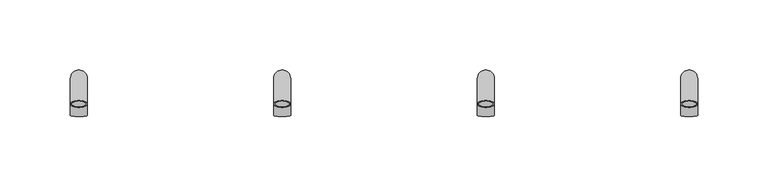
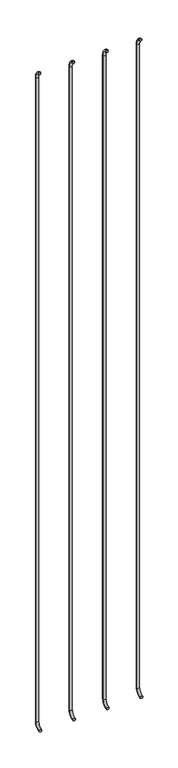
"""IFC4 building model written with IfcOpenShell, lengths in millimetres: beam geometry."""

import ifcopenshell
import ifcopenshell.guid

model = None  # the IFC model being written
_history = None  # IfcOwnerHistory: only IFC2X3 demands one
_inside = {}  # id of a spatial element -> (the spatial element, [elements in it])
_under = {}  # id of a project, library or spatial element -> (it, [spatial elements below it])
_declared = {}  # id of a project -> (the project, [libraries it declares])
_typed = {}  # id of a type object -> (the type object, [elements of that type])
_made_of = {}  # id of a material, layer set ... -> (it, [elements and type objects made of it])


def new_model(schema):
    """Start an empty IFC model of exactly this schema.

    Asked for "IFC4X3", IfcOpenShell would pick the latest addendum, in which some entities
    have other attributes; the version numbers below select the first issue.
    IFC2X3 requires an IfcOwnerHistory on every rooted entity: one is made here for all.
    """
    global model, _history
    if schema == "IFC4X3":
        model = ifcopenshell.file(schema_version=(4, 3, 0, 0))
    else:
        model = ifcopenshell.file(schema=schema)
    _inside.clear()
    _under.clear()
    _declared.clear()
    _typed.clear()
    _made_of.clear()
    _history = None
    if model.schema == "IFC2X3":
        org = make("IfcOrganization", Name="unknown")
        user = make(
            "IfcPersonAndOrganization",
            ThePerson=make("IfcPerson", FamilyName="unknown"),
            TheOrganization=org,
        )
        app = make(
            "IfcApplication",
            ApplicationDeveloper=org,
            Version="unknown",
            ApplicationFullName="unknown",
            ApplicationIdentifier="unknown",
        )
        _history = make(
            "IfcOwnerHistory",
            OwningUser=user,
            OwningApplication=app,
            ChangeAction="ADDED",
            CreationDate=0,
        )
    return model


def make(cls, **values):
    """One entity of the class cls with the attributes given. An attribute that is None is left unset."""
    return model.create_entity(
        cls, **{name: value for name, value in values.items() if value is not None}
    )


def rooted(cls, **values):
    """An entity with a GlobalId (a new one), such as an element, a storey or a relation."""
    return make(cls, GlobalId=ifcopenshell.guid.new(), OwnerHistory=_history, **values)


def si_unit(unit_type, name, prefix=None):
    """IfcSIUnit, for example si_unit("LENGTHUNIT", "METRE", prefix="MILLI")."""
    return make("IfcSIUnit", UnitType=unit_type, Prefix=prefix, Name=name)


def assignment(units):
    """IfcUnitAssignment: the units of a project."""
    return None if units is None else make("IfcUnitAssignment", Units=units)


def point(xyz):
    """IfcCartesianPoint."""
    return None if xyz is None else make("IfcCartesianPoint", Coordinates=xyz)


def direction(xyz):
    """IfcDirection."""
    return None if xyz is None else make("IfcDirection", DirectionRatios=xyz)


def frame(location, z_axis=None, x_axis=None):
    """IfcAxis2Placement3D, a coordinate frame: its origin and axes. An axis left out is left unset."""
    return make(
        "IfcAxis2Placement3D",
        Location=point(location),
        Axis=direction(z_axis),
        RefDirection=direction(x_axis),
    )


def origin():
    """The frame at (0, 0, 0) with its axes left unset."""
    return frame((0.0, 0.0, 0.0))


def place(relative_to, where):
    """IfcLocalPlacement: puts the frame where relative to a parent placement (None: the world)."""
    return make(
        "IfcLocalPlacement", PlacementRelTo=relative_to, RelativePlacement=where
    )


def context(
    kind, dimensions, precision=None, world=None, true_north=None, identifier=None
):
    """IfcGeometricRepresentationContext, for example the 3D "Model" context."""
    return make(
        "IfcGeometricRepresentationContext",
        ContextIdentifier=identifier,
        ContextType=kind,
        CoordinateSpaceDimension=dimensions,
        Precision=precision,
        WorldCoordinateSystem=world,
        TrueNorth=true_north,
    )


def project(units=None, contexts=None):
    """IfcProject with its units and contexts."""
    return rooted(
        "IfcProject",
        Name="project",
        RepresentationContexts=contexts,
        UnitsInContext=assignment(units),
    )


def spatial(cls, under=None, at=None, **own):
    """A site, building, storey or space (cls), placed at a placement, below another one or the project."""
    s = rooted(cls, ObjectPlacement=at, **own)
    if under is not None:
        _under.setdefault(under.id(), (under, []))[1].append(s)
    return s


def polyline(points):
    """IfcPolyline through the points."""
    return make("IfcPolyline", Points=[point(p) for p in points])


def circle_curve(where, radius):
    """IfcCircle in the frame where."""
    return make("IfcCircle", Position=where, Radius=radius)


def ellipse_curve(where, semi_axis1, semi_axis2):
    """IfcEllipse in the frame where."""
    return make(
        "IfcEllipse", Position=where, SemiAxis1=semi_axis1, SemiAxis2=semi_axis2
    )


def trimmed(basis, trim1, trim2, sense, master):
    """IfcTrimmedCurve: the piece of a basis curve between two trims."""
    return make(
        "IfcTrimmedCurve",
        BasisCurve=basis,
        Trim1=trim1,
        Trim2=trim2,
        SenseAgreement=sense,
        MasterRepresentation=master,
    )


def shape(context_of_items, identifier, shape_type, items):
    """IfcShapeRepresentation: the items that make up one representation, for example the "Body"."""
    return make(
        "IfcShapeRepresentation",
        ContextOfItems=context_of_items,
        RepresentationIdentifier=identifier,
        RepresentationType=shape_type,
        Items=items,
    )


def source(mapping_origin, context_of_items, identifier, shape_type, items):
    """IfcRepresentationMap: a shape defined once, which mapped items show again and again."""
    return make(
        "IfcRepresentationMap",
        MappingOrigin=mapping_origin,
        MappedRepresentation=shape(context_of_items, identifier, shape_type, items),
    )


def transform(
    local_origin,
    x_axis=None,
    y_axis=None,
    z_axis=None,
    scale=None,
    scale2=None,
    scale3=None,
    uniform=True,
):
    """IfcCartesianTransformationOperator3D, or its non-uniform kind. x_axis, y_axis, z_axis: its Axis1, 2, 3."""
    if uniform:
        return make(
            "IfcCartesianTransformationOperator3D",
            Axis1=direction(x_axis),
            Axis2=direction(y_axis),
            LocalOrigin=point(local_origin),
            Scale=scale,
            Axis3=direction(z_axis),
        )
    return make(
        "IfcCartesianTransformationOperator3DnonUniform",
        Axis1=direction(x_axis),
        Axis2=direction(y_axis),
        LocalOrigin=point(local_origin),
        Scale=scale,
        Axis3=direction(z_axis),
        Scale2=scale2,
        Scale3=scale3,
    )


def mapped(mapping_source, mapping_target):
    """IfcMappedItem: shows the shape of a source again, moved by a transform."""
    return make(
        "IfcMappedItem", MappingSource=mapping_source, MappingTarget=mapping_target
    )


def made_of(thing, what):
    """Note that an element or type object is made of a material, layer set ...; save() writes the relation."""
    if what is not None:
        _made_of.setdefault(what.id(), (what, []))[1].append(thing)
    return thing


def element(
    cls,
    number,
    at=None,
    inside=None,
    cuts=None,
    type_object=None,
    material=None,
    context=None,
    identifier="Body",
    shape_type=None,
    held_by="IfcProductDefinitionShape",
    body=None,
    shapes=None,
    **own,
):
    """One element of the class cls, such as IfcWall. Its Tag is "e" and its number.

    at: its placement. inside: the storey or other place that contains it. cuts: it is an
    opening in that element (IfcRelVoidsElement). A single representation is given by context,
    identifier, shape_type and body (its items); several are given by shapes. held_by: the class
    of the entity that holds the representations. save() writes the other relations.
    """
    e = rooted(cls, Tag="e%d" % number, ObjectPlacement=at, **own)
    if body is not None:
        shapes = [shape(context, identifier, shape_type, body)]
    if shapes is not None:
        e.Representation = make(held_by, Representations=shapes)
    if inside is not None:
        _inside.setdefault(inside.id(), (inside, []))[1].append(e)
    if cuts is not None:
        rooted(
            "IfcRelVoidsElement", RelatingBuildingElement=cuts, RelatedOpeningElement=e
        )
    if type_object is not None:
        _typed.setdefault(type_object.id(), (type_object, []))[1].append(e)
    return made_of(e, material)


def aggregate(whole, parts):
    """IfcRelAggregates: a whole, such as a stair, and the parts it consists of."""
    return rooted("IfcRelAggregates", RelatingObject=whole, RelatedObjects=parts)


def save(model, path):
    """Write the relations noted so far, then the file.

    IfcRelAggregates (storeys below a building ...), IfcRelContainedInSpatialStructure (elements
    in a storey), IfcRelDefinesByType, IfcRelAssociatesMaterial and IfcRelDeclares: one each for
    every whole, place, type object, material and project.
    """
    for whole, parts in _under.values():
        aggregate(whole, parts)
    for where, things in _inside.values():
        rooted(
            "IfcRelContainedInSpatialStructure",
            RelatedElements=things,
            RelatingStructure=where,
        )
    for kind, things in _typed.values():
        rooted("IfcRelDefinesByType", RelatedObjects=things, RelatingType=kind)
    for what, things in _made_of.values():
        rooted("IfcRelAssociatesMaterial", RelatedObjects=things, RelatingMaterial=what)
    for by, libraries in _declared.values():
        rooted("IfcRelDeclares", RelatingContext=by, RelatedDefinitions=libraries)
    model.write(path)


def plane_surface(at):
    """IfcPlane: the flat surface through the origin of the frame at, square to its z axis."""
    return make("IfcPlane", Position=at)


def cylinder_surface(at, radius):
    """IfcCylindricalSurface: all points at the distance radius from the z axis of the frame at."""
    return make("IfcCylindricalSurface", Position=at, Radius=radius)


def revolved_surface(curve, axis_point, axis_direction):
    """IfcSurfaceOfRevolution: the curve turned about the line through axis_point along axis_direction."""
    return make(
        "IfcSurfaceOfRevolution",
        SweptCurve=make("IfcArbitraryOpenProfileDef", ProfileType="CURVE", Curve=curve),
        AxisPosition=make("IfcAxis1Placement", Location=point(axis_point), Axis=direction(axis_direction)),
    )


def advanced_brep(points, edges, surfaces, faces):
    """IfcAdvancedBrep: a solid bounded by faces that lie on surfaces and meet in shared edges.

    An edge is (start, end): straight between two places in points (the first is 0);
    or (start, end, curve); or (start, end, curve, False) where it runs against its curve.
    A face is (place in surfaces, loops), or (place, loops, False) where it looks against
    its surface's normal. A loop lists edges by number (the first is 1), with a minus sign
    where the edge is run from its end to its start. The first loop is the outer one.
    """
    corners = [point(p) for p in points]
    vertices = [make("IfcVertexPoint", VertexGeometry=c) for c in corners]
    made = []
    for start, end, *more in edges:
        made.append(
            make(
                "IfcEdgeCurve",
                EdgeStart=vertices[start],
                EdgeEnd=vertices[end],
                EdgeGeometry=more[0] if more else make("IfcPolyline", Points=[corners[start], corners[end]]),
                SameSense=more[1] if len(more) > 1 else True,
            )
        )
    hull = []
    for where, loops, *sense in faces:
        bounds = []
        for j, loop in enumerate(loops):
            ring = [make("IfcOrientedEdge", EdgeElement=made[abs(k) - 1], Orientation=k > 0) for k in loop]
            bounds.append(
                make(
                    "IfcFaceOuterBound" if j == 0 else "IfcFaceBound",
                    Bound=make("IfcEdgeLoop", EdgeList=ring),
                    Orientation=True,
                )
            )
        hull.append(make("IfcAdvancedFace", Bounds=bounds, FaceSurface=surfaces[where], SameSense=sense[0] if sense else True))
    return make("IfcAdvancedBrep", Outer=make("IfcClosedShell", CfsFaces=hull))


def beam_fb02d8b2(model_context):
    return source(origin(), model_context, "Body", "AdvancedBrep", [
        advanced_brep(
        [(1286.6811733, 2847.5491688, 2977.1908893), (1274.6811733, 2847.5491688, 2977.1908893), (1285.6811733, 2847.5491688, 2977.1908893), (1275.6811733, 2847.5491688, 2977.1908893), (1275.6811733, 2865.6257856, 2949.6621238), (1285.6811733, 2865.6257856, 2949.6621238), (1274.6811733, 2865.6257856, 2949.6621238), (1286.6811733, 2865.6257856, 2949.6621238), (1285.6811733, 2865.6257856, 30.7084898), (1275.6811733, 2865.6257856, 30.7084898), (1286.6811733, 2865.6257856, 30.7084898), (1274.6811733, 2865.6257856, 30.7084898), (1286.6811733, 2840.0062095, 1.0300146), (1274.6811733, 2840.0062095, 1.0300146), (1285.6811733, 2840.0062095, 1.0300146), (1275.6811733, 2840.0062095, 1.0300146)],
        [
            (0, 1, circle_curve(frame((1280.6811733, 2847.5491688, 2977.1908893), z_axis=(0.0, -0.9176255197351176, 0.3974461039321624), x_axis=(-1.0, 0.0, 0.0)), 6.0)),
            (1, 0, circle_curve(frame((1280.6811733, 2847.5491688, 2977.1908893), z_axis=(0.0, -0.9176255197351176, 0.3974461039321624), x_axis=(-1.0, 0.0, 0.0)), 6.0)),
            (2, 3, circle_curve(frame((1280.6811733, 2847.5491688, 2977.1908893), z_axis=(0.0, 0.9176255197351176, -0.3974461039321624), x_axis=(-1.0, 0.0, 0.0)), 5.0)),
            (3, 2, circle_curve(frame((1280.6811733, 2847.5491688, 2977.1908893), z_axis=(0.0, 0.9176255197351176, -0.3974461039321624), x_axis=(-1.0, 0.0, 0.0)), 5.0)),
            (4, 3, circle_curve(frame((1275.6811733, 2835.6257856, 2949.6621238), z_axis=(1.0, 0.0, 0.0), x_axis=(0.0, 0.3974461039321624, 0.9176255197351176)), 30.0)),
            (2, 5, circle_curve(frame((1285.6811733, 2835.6257856, 2949.6621238), z_axis=(-1.0, 0.0, 0.0), x_axis=(0.0, 0.3974461039321624, 0.9176255197351176)), 30.0)),
            (5, 4, circle_curve(frame((1280.6811733, 2865.6257856, 2949.6621238), z_axis=(0.0, 0.0, -0.9999999999999999), x_axis=(-1.0, 0.0, 0.0)), 5.0)),
            (4, 5, circle_curve(frame((1280.6811733, 2865.6257856, 2949.6621238), z_axis=(0.0, 0.0, -0.9999999999999999), x_axis=(-1.0, 0.0, 0.0)), 5.0)),
            (6, 1, circle_curve(frame((1274.6811733, 2835.6257856, 2949.6621238), z_axis=(1.0, 0.0, 0.0), x_axis=(0.0, 0.3974461039321624, 0.9176255197351176)), 30.0)),
            (0, 7, circle_curve(frame((1286.6811733, 2835.6257856, 2949.6621238), z_axis=(-1.0, 0.0, 0.0), x_axis=(0.0, 0.3974461039321624, 0.9176255197351176)), 30.0)),
            (7, 6, circle_curve(frame((1280.6811733, 2865.6257856, 2949.6621238), z_axis=(0.0, 0.0, 0.9999999999999999), x_axis=(-1.0, 0.0, 0.0)), 6.0)),
            (6, 7, circle_curve(frame((1280.6811733, 2865.6257856, 2949.6621238), z_axis=(0.0, 0.0, 0.9999999999999999), x_axis=(-1.0, 0.0, 0.0)), 6.0)),
            (5, 8),
            (8, 9, circle_curve(frame((1280.6811733, 2865.6257856, 30.7084898), z_axis=(0.0, 0.0, -1.0), x_axis=(-1.0, 0.0, 0.0)), 5.0)),
            (9, 4),
            (9, 8, circle_curve(frame((1280.6811733, 2865.6257856, 30.7084898), z_axis=(0.0, 0.0, -1.0), x_axis=(-1.0, 0.0, 0.0)), 5.0)),
            (7, 10),
            (10, 11, circle_curve(frame((1280.6811733, 2865.6257856, 30.7084898), z_axis=(0.0, 0.0, 1.0), x_axis=(-1.0, 0.0, 0.0)), 6.0)),
            (11, 6),
            (11, 10, circle_curve(frame((1280.6811733, 2865.6257856, 30.7084898), z_axis=(0.0, 0.0, 1.0), x_axis=(-1.0, 0.0, 0.0)), 6.0)),
            (12, 13, circle_curve(frame((1280.6811733, 2840.0062095, 1.0300146), z_axis=(0.0, -0.9892825047438852, -0.14601412879466397), x_axis=(-1.0, 0.0, 0.0)), 6.0)),
            (13, 12, circle_curve(frame((1280.6811733, 2840.0062095, 1.0300146), z_axis=(0.0, -0.9892825047438852, -0.14601412879466397), x_axis=(-1.0, 0.0, 0.0)), 6.0)),
            (14, 15, circle_curve(frame((1280.6811733, 2840.0062095, 1.0300146), z_axis=(0.0, 0.9892825047438852, 0.14601412879466397), x_axis=(-1.0, 0.0, 0.0)), 5.0)),
            (15, 14, circle_curve(frame((1280.6811733, 2840.0062095, 1.0300146), z_axis=(0.0, 0.9892825047438852, 0.14601412879466397), x_axis=(-1.0, 0.0, 0.0)), 5.0)),
            (15, 9, circle_curve(frame((1275.6811733, 2835.6257856, 30.7084898), z_axis=(1.0, 0.0, 0.0), x_axis=(0.0, 1.0, 0.0)), 30.0)),
            (8, 14, circle_curve(frame((1285.6811733, 2835.6257856, 30.7084898), z_axis=(-1.0, 0.0, 0.0), x_axis=(0.0, 1.0, 0.0)), 30.0)),
            (13, 11, circle_curve(frame((1274.6811733, 2835.6257856, 30.7084898), z_axis=(1.0, 0.0, 0.0), x_axis=(0.0, 1.0, 0.0)), 30.0)),
            (10, 12, circle_curve(frame((1286.6811733, 2835.6257856, 30.7084898), z_axis=(-1.0, 0.0, 0.0), x_axis=(0.0, 1.0, 0.0)), 30.0)),
        ],
        [
            plane_surface(frame((1280.6811733, 2847.5491688, 2977.1908893), z_axis=(0.0, -0.9176255197351176, 0.3974461039321624), x_axis=(-1.0, 0.0, 0.0))),
            revolved_surface(trimmed(ellipse_curve(frame((1280.6811733, 2847.5491688, 2977.1908893), z_axis=(0.0, 0.9176255197351176, -0.3974461039321624), x_axis=(-1.0, 0.0, 0.0)), 5.0, 5.0), [point((1285.6811733, 2847.5491688, 2977.1908893))], [point((1275.6811733, 2847.5491688, 2977.1908893))], True, "CARTESIAN"), (1280.6811733, 2835.6257856, 2949.6621238), (-1.0, 0.0, 0.0)),
            revolved_surface(trimmed(ellipse_curve(frame((1280.6811733, 2847.5491688, 2977.1908893), z_axis=(0.0, 0.9176255197351176, -0.3974461039321624), x_axis=(-1.0, 0.0, 0.0)), 5.0, 5.0), [point((1275.6811733, 2847.5491688, 2977.1908893))], [point((1285.6811733, 2847.5491688, 2977.1908893))], True, "CARTESIAN"), (1280.6811733, 2835.6257856, 2949.6621238), (-1.0, 0.0, 0.0)),
            revolved_surface(trimmed(ellipse_curve(frame((1280.6811733, 2847.5491688, 2977.1908893), z_axis=(0.0, -0.9176255197351176, 0.3974461039321624), x_axis=(-1.0, 0.0, 0.0)), 6.0, 6.0), [point((1286.6811733, 2847.5491688, 2977.1908893))], [point((1274.6811733, 2847.5491688, 2977.1908893))], True, "CARTESIAN"), (1280.6811733, 2835.6257856, 2949.6621238), (-1.0, 0.0, 0.0)),
            revolved_surface(trimmed(ellipse_curve(frame((1280.6811733, 2847.5491688, 2977.1908893), z_axis=(0.0, -0.9176255197351176, 0.3974461039321624), x_axis=(-1.0, 0.0, 0.0)), 6.0, 6.0), [point((1274.6811733, 2847.5491688, 2977.1908893))], [point((1286.6811733, 2847.5491688, 2977.1908893))], True, "CARTESIAN"), (1280.6811733, 2835.6257856, 2949.6621238), (-1.0, 0.0, 0.0)),
            revolved_surface(polyline([(1275.6811733, 2865.6257856, 30.708489799999825), (1275.6811733, 2865.6257856, 2949.6621238)]), (1280.6811733, 2865.6257856, 2949.6621238), (0.0, 0.0, -1.0)),
            cylinder_surface(frame((1280.6811733, 2865.6257856, 2949.6621238), z_axis=(0.0, 0.0, 1.0), x_axis=(-1.0, 0.0, 0.0)), 6.0),
            plane_surface(frame((1280.6811733, 2840.0062095, 1.0300146), z_axis=(0.0, -0.9892825047438852, -0.14601412879466397), x_axis=(-1.0, 0.0, 0.0))),
            revolved_surface(trimmed(ellipse_curve(frame((1280.6811733, 2865.6257856, 30.7084898), z_axis=(0.0, 0.0, -1.0), x_axis=(-1.0, 0.0, 0.0)), 5.0, 5.0), [point((1285.6811733, 2865.6257856, 30.7084898))], [point((1275.6811733, 2865.6257856, 30.7084898))], True, "CARTESIAN"), (1280.6811733, 2835.6257856, 30.7084898), (-1.0, 0.0, 0.0)),
            revolved_surface(trimmed(ellipse_curve(frame((1280.6811733, 2865.6257856, 30.7084898), z_axis=(0.0, 0.0, -1.0), x_axis=(-1.0, 0.0, 0.0)), 5.0, 5.0), [point((1275.6811733, 2865.6257856, 30.7084898))], [point((1285.6811733, 2865.6257856, 30.7084898))], True, "CARTESIAN"), (1280.6811733, 2835.6257856, 30.7084898), (-1.0, 0.0, 0.0)),
            revolved_surface(trimmed(ellipse_curve(frame((1280.6811733, 2865.6257856, 30.7084898), z_axis=(0.0, 0.0, 1.0), x_axis=(-1.0, 0.0, 0.0)), 6.0, 6.0), [point((1286.6811733, 2865.6257856, 30.7084898))], [point((1274.6811733, 2865.6257856, 30.7084898))], True, "CARTESIAN"), (1280.6811733, 2835.6257856, 30.7084898), (-1.0, 0.0, 0.0)),
            revolved_surface(trimmed(ellipse_curve(frame((1280.6811733, 2865.6257856, 30.7084898), z_axis=(0.0, 0.0, 1.0), x_axis=(-1.0, 0.0, 0.0)), 6.0, 6.0), [point((1274.6811733, 2865.6257856, 30.7084898))], [point((1286.6811733, 2865.6257856, 30.7084898))], True, "CARTESIAN"), (1280.6811733, 2835.6257856, 30.7084898), (-1.0, 0.0, 0.0)),
        ],
        [
            (0, [[1, 2], [3, 4]]),
            (1, [[5, -3, 6, 7]]),
            (2, [[-6, -4, -5, 8]]),
            (3, [[9, -1, 10, 11]]),
            (4, [[-10, -2, -9, 12]]),
            (5, [[-7, 13, 14, 15]]),
            (5, [[-8, -15, 16, -13]]),
            (6, [[-11, 17, 18, 19]]),
            (6, [[-12, -19, 20, -17]]),
            (7, [[21, 22], [23, 24]]),
            (8, [[25, -14, 26, -24]]),
            (9, [[-26, -16, -25, -23]]),
            (10, [[27, -18, 28, -22]]),
            (11, [[-28, -20, -27, -21]]),
        ],
    ),
        advanced_brep(
        [(1431.2124233, 2847.5491688, 2977.1908893), (1419.2124233, 2847.5491688, 2977.1908893), (1430.2124233, 2847.5491688, 2977.1908893), (1420.2124233, 2847.5491688, 2977.1908893), (1420.2124233, 2865.6257856, 2949.6621238), (1430.2124233, 2865.6257856, 2949.6621238), (1419.2124233, 2865.6257856, 2949.6621238), (1431.2124233, 2865.6257856, 2949.6621238), (1430.2124233, 2865.6257856, 30.7084898), (1420.2124233, 2865.6257856, 30.7084898), (1431.2124233, 2865.6257856, 30.7084898), (1419.2124233, 2865.6257856, 30.7084898), (1431.2124233, 2840.0062095, 1.0300146), (1419.2124233, 2840.0062095, 1.0300146), (1430.2124233, 2840.0062095, 1.0300146), (1420.2124233, 2840.0062095, 1.0300146)],
        [
            (0, 1, circle_curve(frame((1425.2124233, 2847.5491688, 2977.1908893), z_axis=(0.0, -0.9176255197351176, 0.3974461039321624), x_axis=(-1.0, 0.0, 0.0)), 6.0)),
            (1, 0, circle_curve(frame((1425.2124233, 2847.5491688, 2977.1908893), z_axis=(0.0, -0.9176255197351176, 0.3974461039321624), x_axis=(-1.0, 0.0, 0.0)), 6.0)),
            (2, 3, circle_curve(frame((1425.2124233, 2847.5491688, 2977.1908893), z_axis=(0.0, 0.9176255197351176, -0.3974461039321624), x_axis=(-1.0, 0.0, 0.0)), 5.0)),
            (3, 2, circle_curve(frame((1425.2124233, 2847.5491688, 2977.1908893), z_axis=(0.0, 0.9176255197351176, -0.3974461039321624), x_axis=(-1.0, 0.0, 0.0)), 5.0)),
            (4, 3, circle_curve(frame((1420.2124233, 2835.6257856, 2949.6621238), z_axis=(1.0, 0.0, 0.0), x_axis=(0.0, 0.3974461039321624, 0.9176255197351176)), 30.0)),
            (2, 5, circle_curve(frame((1430.2124233, 2835.6257856, 2949.6621238), z_axis=(-1.0, 0.0, 0.0), x_axis=(0.0, 0.3974461039321624, 0.9176255197351176)), 30.0)),
            (5, 4, circle_curve(frame((1425.2124233, 2865.6257856, 2949.6621238), z_axis=(0.0, 0.0, -0.9999999999999999), x_axis=(-1.0, 0.0, 0.0)), 5.0)),
            (4, 5, circle_curve(frame((1425.2124233, 2865.6257856, 2949.6621238), z_axis=(0.0, 0.0, -0.9999999999999999), x_axis=(-1.0, 0.0, 0.0)), 5.0)),
            (6, 1, circle_curve(frame((1419.2124233, 2835.6257856, 2949.6621238), z_axis=(1.0, 0.0, 0.0), x_axis=(0.0, 0.3974461039321624, 0.9176255197351176)), 30.0)),
            (0, 7, circle_curve(frame((1431.2124233, 2835.6257856, 2949.6621238), z_axis=(-1.0, 0.0, 0.0), x_axis=(0.0, 0.3974461039321624, 0.9176255197351176)), 30.0)),
            (7, 6, circle_curve(frame((1425.2124233, 2865.6257856, 2949.6621238), z_axis=(0.0, 0.0, 0.9999999999999999), x_axis=(-1.0, 0.0, 0.0)), 6.0)),
            (6, 7, circle_curve(frame((1425.2124233, 2865.6257856, 2949.6621238), z_axis=(0.0, 0.0, 0.9999999999999999), x_axis=(-1.0, 0.0, 0.0)), 6.0)),
            (5, 8),
            (8, 9, circle_curve(frame((1425.2124233, 2865.6257856, 30.7084898), z_axis=(0.0, 0.0, -1.0), x_axis=(-1.0, 0.0, 0.0)), 5.0)),
            (9, 4),
            (9, 8, circle_curve(frame((1425.2124233, 2865.6257856, 30.7084898), z_axis=(0.0, 0.0, -1.0), x_axis=(-1.0, 0.0, 0.0)), 5.0)),
            (7, 10),
            (10, 11, circle_curve(frame((1425.2124233, 2865.6257856, 30.7084898), z_axis=(0.0, 0.0, 1.0), x_axis=(-1.0, 0.0, 0.0)), 6.0)),
            (11, 6),
            (11, 10, circle_curve(frame((1425.2124233, 2865.6257856, 30.7084898), z_axis=(0.0, 0.0, 1.0), x_axis=(-1.0, 0.0, 0.0)), 6.0)),
            (12, 13, circle_curve(frame((1425.2124233, 2840.0062095, 1.0300146), z_axis=(0.0, -0.9892825047438852, -0.14601412879466397), x_axis=(-1.0, 0.0, 0.0)), 6.0)),
            (13, 12, circle_curve(frame((1425.2124233, 2840.0062095, 1.0300146), z_axis=(0.0, -0.9892825047438852, -0.14601412879466397), x_axis=(-1.0, 0.0, 0.0)), 6.0)),
            (14, 15, circle_curve(frame((1425.2124233, 2840.0062095, 1.0300146), z_axis=(0.0, 0.9892825047438852, 0.14601412879466397), x_axis=(-1.0, 0.0, 0.0)), 5.0)),
            (15, 14, circle_curve(frame((1425.2124233, 2840.0062095, 1.0300146), z_axis=(0.0, 0.9892825047438852, 0.14601412879466397), x_axis=(-1.0, 0.0, 0.0)), 5.0)),
            (15, 9, circle_curve(frame((1420.2124233, 2835.6257856, 30.7084898), z_axis=(1.0, 0.0, 0.0), x_axis=(0.0, 1.0, 0.0)), 30.0)),
            (8, 14, circle_curve(frame((1430.2124233, 2835.6257856, 30.7084898), z_axis=(-1.0, 0.0, 0.0), x_axis=(0.0, 1.0, 0.0)), 30.0)),
            (13, 11, circle_curve(frame((1419.2124233, 2835.6257856, 30.7084898), z_axis=(1.0, 0.0, 0.0), x_axis=(0.0, 1.0, 0.0)), 30.0)),
            (10, 12, circle_curve(frame((1431.2124233, 2835.6257856, 30.7084898), z_axis=(-1.0, 0.0, 0.0), x_axis=(0.0, 1.0, 0.0)), 30.0)),
        ],
        [
            plane_surface(frame((1425.2124233, 2847.5491688, 2977.1908893), z_axis=(0.0, -0.9176255197351176, 0.3974461039321624), x_axis=(-1.0, 0.0, 0.0))),
            revolved_surface(trimmed(ellipse_curve(frame((1425.2124233, 2847.5491688, 2977.1908893), z_axis=(0.0, 0.9176255197351176, -0.3974461039321624), x_axis=(-1.0, 0.0, 0.0)), 5.0, 5.0), [point((1430.2124233, 2847.5491688, 2977.1908893))], [point((1420.2124233, 2847.5491688, 2977.1908893))], True, "CARTESIAN"), (1425.2124233, 2835.6257856, 2949.6621238), (-1.0, 0.0, 0.0)),
            revolved_surface(trimmed(ellipse_curve(frame((1425.2124233, 2847.5491688, 2977.1908893), z_axis=(0.0, 0.9176255197351176, -0.3974461039321624), x_axis=(-1.0, 0.0, 0.0)), 5.0, 5.0), [point((1420.2124233, 2847.5491688, 2977.1908893))], [point((1430.2124233, 2847.5491688, 2977.1908893))], True, "CARTESIAN"), (1425.2124233, 2835.6257856, 2949.6621238), (-1.0, 0.0, 0.0)),
            revolved_surface(trimmed(ellipse_curve(frame((1425.2124233, 2847.5491688, 2977.1908893), z_axis=(0.0, -0.9176255197351176, 0.3974461039321624), x_axis=(-1.0, 0.0, 0.0)), 6.0, 6.0), [point((1431.2124233, 2847.5491688, 2977.1908893))], [point((1419.2124233, 2847.5491688, 2977.1908893))], True, "CARTESIAN"), (1425.2124233, 2835.6257856, 2949.6621238), (-1.0, 0.0, 0.0)),
            revolved_surface(trimmed(ellipse_curve(frame((1425.2124233, 2847.5491688, 2977.1908893), z_axis=(0.0, -0.9176255197351176, 0.3974461039321624), x_axis=(-1.0, 0.0, 0.0)), 6.0, 6.0), [point((1419.2124233, 2847.5491688, 2977.1908893))], [point((1431.2124233, 2847.5491688, 2977.1908893))], True, "CARTESIAN"), (1425.2124233, 2835.6257856, 2949.6621238), (-1.0, 0.0, 0.0)),
            revolved_surface(polyline([(1420.2124233, 2865.6257856, 30.708489799999825), (1420.2124233, 2865.6257856, 2949.6621238)]), (1425.2124233, 2865.6257856, 2949.6621238), (0.0, 0.0, -1.0)),
            cylinder_surface(frame((1425.2124233, 2865.6257856, 2949.6621238), z_axis=(0.0, 0.0, 1.0), x_axis=(-1.0, 0.0, 0.0)), 6.0),
            plane_surface(frame((1425.2124233, 2840.0062095, 1.0300146), z_axis=(0.0, -0.9892825047438852, -0.14601412879466397), x_axis=(-1.0, 0.0, 0.0))),
            revolved_surface(trimmed(ellipse_curve(frame((1425.2124233, 2865.6257856, 30.7084898), z_axis=(0.0, 0.0, -1.0), x_axis=(-1.0, 0.0, 0.0)), 5.0, 5.0), [point((1430.2124233, 2865.6257856, 30.7084898))], [point((1420.2124233, 2865.6257856, 30.7084898))], True, "CARTESIAN"), (1425.2124233, 2835.6257856, 30.7084898), (-1.0, 0.0, 0.0)),
            revolved_surface(trimmed(ellipse_curve(frame((1425.2124233, 2865.6257856, 30.7084898), z_axis=(0.0, 0.0, -1.0), x_axis=(-1.0, 0.0, 0.0)), 5.0, 5.0), [point((1420.2124233, 2865.6257856, 30.7084898))], [point((1430.2124233, 2865.6257856, 30.7084898))], True, "CARTESIAN"), (1425.2124233, 2835.6257856, 30.7084898), (-1.0, 0.0, 0.0)),
            revolved_surface(trimmed(ellipse_curve(frame((1425.2124233, 2865.6257856, 30.7084898), z_axis=(0.0, 0.0, 1.0), x_axis=(-1.0, 0.0, 0.0)), 6.0, 6.0), [point((1431.2124233, 2865.6257856, 30.7084898))], [point((1419.2124233, 2865.6257856, 30.7084898))], True, "CARTESIAN"), (1425.2124233, 2835.6257856, 30.7084898), (-1.0, 0.0, 0.0)),
            revolved_surface(trimmed(ellipse_curve(frame((1425.2124233, 2865.6257856, 30.7084898), z_axis=(0.0, 0.0, 1.0), x_axis=(-1.0, 0.0, 0.0)), 6.0, 6.0), [point((1419.2124233, 2865.6257856, 30.7084898))], [point((1431.2124233, 2865.6257856, 30.7084898))], True, "CARTESIAN"), (1425.2124233, 2835.6257856, 30.7084898), (-1.0, 0.0, 0.0)),
        ],
        [
            (0, [[1, 2], [3, 4]]),
            (1, [[5, -3, 6, 7]]),
            (2, [[-6, -4, -5, 8]]),
            (3, [[9, -1, 10, 11]]),
            (4, [[-10, -2, -9, 12]]),
            (5, [[-7, 13, 14, 15]]),
            (5, [[-8, -15, 16, -13]]),
            (6, [[-11, 17, 18, 19]]),
            (6, [[-12, -19, 20, -17]]),
            (7, [[21, 22], [23, 24]]),
            (8, [[25, -14, 26, -24]]),
            (9, [[-26, -16, -25, -23]]),
            (10, [[27, -18, 28, -22]]),
            (11, [[-28, -20, -27, -21]]),
        ],
    ),
        advanced_brep(
        [(1720.4311733, 2847.5491688, 2977.1908893), (1708.4311733, 2847.5491688, 2977.1908893), (1719.4311733, 2847.5491688, 2977.1908893), (1709.4311733, 2847.5491688, 2977.1908893), (1709.4311733, 2865.6257856, 2949.6621238), (1719.4311733, 2865.6257856, 2949.6621238), (1708.4311733, 2865.6257856, 2949.6621238), (1720.4311733, 2865.6257856, 2949.6621238), (1719.4311733, 2865.6257856, 30.7084898), (1709.4311733, 2865.6257856, 30.7084898), (1720.4311733, 2865.6257856, 30.7084898), (1708.4311733, 2865.6257856, 30.7084898), (1720.4311733, 2840.0062095, 1.0300146), (1708.4311733, 2840.0062095, 1.0300146), (1719.4311733, 2840.0062095, 1.0300146), (1709.4311733, 2840.0062095, 1.0300146)],
        [
            (0, 1, circle_curve(frame((1714.4311733, 2847.5491688, 2977.1908893), z_axis=(0.0, -0.9176255197351176, 0.3974461039321624), x_axis=(-1.0, 0.0, 0.0)), 6.0)),
            (1, 0, circle_curve(frame((1714.4311733, 2847.5491688, 2977.1908893), z_axis=(0.0, -0.9176255197351176, 0.3974461039321624), x_axis=(-1.0, 0.0, 0.0)), 6.0)),
            (2, 3, circle_curve(frame((1714.4311733, 2847.5491688, 2977.1908893), z_axis=(0.0, 0.9176255197351176, -0.3974461039321624), x_axis=(-1.0, 0.0, 0.0)), 5.0)),
            (3, 2, circle_curve(frame((1714.4311733, 2847.5491688, 2977.1908893), z_axis=(0.0, 0.9176255197351176, -0.3974461039321624), x_axis=(-1.0, 0.0, 0.0)), 5.0)),
            (4, 3, circle_curve(frame((1709.4311733, 2835.6257856, 2949.6621238), z_axis=(1.0, 0.0, 0.0), x_axis=(0.0, 0.3974461039321624, 0.9176255197351176)), 30.0)),
            (2, 5, circle_curve(frame((1719.4311733, 2835.6257856, 2949.6621238), z_axis=(-1.0, 0.0, 0.0), x_axis=(0.0, 0.3974461039321624, 0.9176255197351176)), 30.0)),
            (5, 4, circle_curve(frame((1714.4311733, 2865.6257856, 2949.6621238), z_axis=(0.0, 0.0, -1.0), x_axis=(-1.0, 0.0, 0.0)), 5.0)),
            (4, 5, circle_curve(frame((1714.4311733, 2865.6257856, 2949.6621238), z_axis=(0.0, 0.0, -1.0), x_axis=(-1.0, 0.0, 0.0)), 5.0)),
            (6, 1, circle_curve(frame((1708.4311733, 2835.6257856, 2949.6621238), z_axis=(1.0, 0.0, 0.0), x_axis=(0.0, 0.3974461039321624, 0.9176255197351176)), 30.0)),
            (0, 7, circle_curve(frame((1720.4311733, 2835.6257856, 2949.6621238), z_axis=(-1.0, 0.0, 0.0), x_axis=(0.0, 0.3974461039321624, 0.9176255197351176)), 30.0)),
            (7, 6, circle_curve(frame((1714.4311733, 2865.6257856, 2949.6621238), z_axis=(0.0, 0.0, 1.0), x_axis=(-1.0, 0.0, 0.0)), 6.0)),
            (6, 7, circle_curve(frame((1714.4311733, 2865.6257856, 2949.6621238), z_axis=(0.0, 0.0, 1.0), x_axis=(-1.0, 0.0, 0.0)), 6.0)),
            (5, 8),
            (8, 9, circle_curve(frame((1714.4311733, 2865.6257856, 30.7084898), z_axis=(0.0, 0.0, -1.0), x_axis=(-1.0, 0.0, 0.0)), 5.0)),
            (9, 4),
            (9, 8, circle_curve(frame((1714.4311733, 2865.6257856, 30.7084898), z_axis=(0.0, 0.0, -1.0), x_axis=(-1.0, 0.0, 0.0)), 5.0)),
            (7, 10),
            (10, 11, circle_curve(frame((1714.4311733, 2865.6257856, 30.7084898), z_axis=(0.0, 0.0, 1.0), x_axis=(-1.0, 0.0, 0.0)), 6.0)),
            (11, 6),
            (11, 10, circle_curve(frame((1714.4311733, 2865.6257856, 30.7084898), z_axis=(0.0, 0.0, 1.0), x_axis=(-1.0, 0.0, 0.0)), 6.0)),
            (12, 13, circle_curve(frame((1714.4311733, 2840.0062095, 1.0300146), z_axis=(0.0, -0.9892825047438852, -0.14601412879466397), x_axis=(-1.0, 0.0, 0.0)), 6.0)),
            (13, 12, circle_curve(frame((1714.4311733, 2840.0062095, 1.0300146), z_axis=(0.0, -0.9892825047438852, -0.14601412879466397), x_axis=(-1.0, 0.0, 0.0)), 6.0)),
            (14, 15, circle_curve(frame((1714.4311733, 2840.0062095, 1.0300146), z_axis=(0.0, 0.9892825047438852, 0.14601412879466397), x_axis=(-1.0, 0.0, 0.0)), 5.0)),
            (15, 14, circle_curve(frame((1714.4311733, 2840.0062095, 1.0300146), z_axis=(0.0, 0.9892825047438852, 0.14601412879466397), x_axis=(-1.0, 0.0, 0.0)), 5.0)),
            (15, 9, circle_curve(frame((1709.4311733, 2835.6257856, 30.7084898), z_axis=(1.0, 0.0, 0.0), x_axis=(0.0, 1.0, 0.0)), 30.0)),
            (8, 14, circle_curve(frame((1719.4311733, 2835.6257856, 30.7084898), z_axis=(-1.0, 0.0, 0.0), x_axis=(0.0, 1.0, 0.0)), 30.0)),
            (13, 11, circle_curve(frame((1708.4311733, 2835.6257856, 30.7084898), z_axis=(1.0, 0.0, 0.0), x_axis=(0.0, 1.0, 0.0)), 30.0)),
            (10, 12, circle_curve(frame((1720.4311733, 2835.6257856, 30.7084898), z_axis=(-1.0, 0.0, 0.0), x_axis=(0.0, 1.0, 0.0)), 30.0)),
        ],
        [
            plane_surface(frame((1714.4311733, 2847.5491688, 2977.1908893), z_axis=(0.0, -0.9176255197351176, 0.3974461039321624), x_axis=(-1.0, 0.0, 0.0))),
            revolved_surface(trimmed(ellipse_curve(frame((1714.4311733, 2847.5491688, 2977.1908893), z_axis=(0.0, 0.9176255197351176, -0.3974461039321624), x_axis=(-1.0, 0.0, 0.0)), 5.0, 5.0), [point((1719.4311733, 2847.5491688, 2977.1908893))], [point((1709.4311733, 2847.5491688, 2977.1908893))], True, "CARTESIAN"), (1714.4311733, 2835.6257856, 2949.6621238), (-1.0, 0.0, 0.0)),
            revolved_surface(trimmed(ellipse_curve(frame((1714.4311733, 2847.5491688, 2977.1908893), z_axis=(0.0, 0.9176255197351176, -0.3974461039321624), x_axis=(-1.0, 0.0, 0.0)), 5.0, 5.0), [point((1709.4311733, 2847.5491688, 2977.1908893))], [point((1719.4311733, 2847.5491688, 2977.1908893))], True, "CARTESIAN"), (1714.4311733, 2835.6257856, 2949.6621238), (-1.0, 0.0, 0.0)),
            revolved_surface(trimmed(ellipse_curve(frame((1714.4311733, 2847.5491688, 2977.1908893), z_axis=(0.0, -0.9176255197351176, 0.3974461039321624), x_axis=(-1.0, 0.0, 0.0)), 6.0, 6.0), [point((1720.4311733, 2847.5491688, 2977.1908893))], [point((1708.4311733, 2847.5491688, 2977.1908893))], True, "CARTESIAN"), (1714.4311733, 2835.6257856, 2949.6621238), (-1.0, 0.0, 0.0)),
            revolved_surface(trimmed(ellipse_curve(frame((1714.4311733, 2847.5491688, 2977.1908893), z_axis=(0.0, -0.9176255197351176, 0.3974461039321624), x_axis=(-1.0, 0.0, 0.0)), 6.0, 6.0), [point((1708.4311733, 2847.5491688, 2977.1908893))], [point((1720.4311733, 2847.5491688, 2977.1908893))], True, "CARTESIAN"), (1714.4311733, 2835.6257856, 2949.6621238), (-1.0, 0.0, 0.0)),
            revolved_surface(polyline([(1709.4311733, 2865.6257856, 30.708489799999825), (1709.4311733, 2865.6257856, 2949.6621238)]), (1714.4311733, 2865.6257856, 2949.6621238), (0.0, 0.0, -1.0)),
            cylinder_surface(frame((1714.4311733, 2865.6257856, 2949.6621238), z_axis=(0.0, 0.0, 1.0), x_axis=(-1.0, 0.0, 0.0)), 6.0),
            plane_surface(frame((1714.4311733, 2840.0062095, 1.0300146), z_axis=(0.0, -0.9892825047438852, -0.14601412879466397), x_axis=(-1.0, 0.0, 0.0))),
            revolved_surface(trimmed(ellipse_curve(frame((1714.4311733, 2865.6257856, 30.7084898), z_axis=(0.0, 0.0, -1.0), x_axis=(-1.0, 0.0, 0.0)), 5.0, 5.0), [point((1719.4311733, 2865.6257856, 30.7084898))], [point((1709.4311733, 2865.6257856, 30.7084898))], True, "CARTESIAN"), (1714.4311733, 2835.6257856, 30.7084898), (-1.0, 0.0, 0.0)),
            revolved_surface(trimmed(ellipse_curve(frame((1714.4311733, 2865.6257856, 30.7084898), z_axis=(0.0, 0.0, -1.0), x_axis=(-1.0, 0.0, 0.0)), 5.0, 5.0), [point((1709.4311733, 2865.6257856, 30.7084898))], [point((1719.4311733, 2865.6257856, 30.7084898))], True, "CARTESIAN"), (1714.4311733, 2835.6257856, 30.7084898), (-1.0, 0.0, 0.0)),
            revolved_surface(trimmed(ellipse_curve(frame((1714.4311733, 2865.6257856, 30.7084898), z_axis=(0.0, 0.0, 1.0), x_axis=(-1.0, 0.0, 0.0)), 6.0, 6.0), [point((1720.4311733, 2865.6257856, 30.7084898))], [point((1708.4311733, 2865.6257856, 30.7084898))], True, "CARTESIAN"), (1714.4311733, 2835.6257856, 30.7084898), (-1.0, 0.0, 0.0)),
            revolved_surface(trimmed(ellipse_curve(frame((1714.4311733, 2865.6257856, 30.7084898), z_axis=(0.0, 0.0, 1.0), x_axis=(-1.0, 0.0, 0.0)), 6.0, 6.0), [point((1708.4311733, 2865.6257856, 30.7084898))], [point((1720.4311733, 2865.6257856, 30.7084898))], True, "CARTESIAN"), (1714.4311733, 2835.6257856, 30.7084898), (-1.0, 0.0, 0.0)),
        ],
        [
            (0, [[1, 2], [3, 4]]),
            (1, [[5, -3, 6, 7]]),
            (2, [[-6, -4, -5, 8]]),
            (3, [[9, -1, 10, 11]]),
            (4, [[-10, -2, -9, 12]]),
            (5, [[-7, 13, 14, 15]]),
            (5, [[-8, -15, 16, -13]]),
            (6, [[-11, 17, 18, 19]]),
            (6, [[-12, -19, 20, -17]]),
            (7, [[21, 22], [23, 24]]),
            (8, [[25, -14, 26, -24]]),
            (9, [[-26, -16, -25, -23]]),
            (10, [[27, -18, 28, -22]]),
            (11, [[-28, -20, -27, -21]]),
        ],
    ),
        advanced_brep(
        [(1575.8999233, 2847.5491688, 2977.1908893), (1563.8999233, 2847.5491688, 2977.1908893), (1574.8999233, 2847.5491688, 2977.1908893), (1564.8999233, 2847.5491688, 2977.1908893), (1564.8999233, 2865.6257856, 2949.6621238), (1574.8999233, 2865.6257856, 2949.6621238), (1563.8999233, 2865.6257856, 2949.6621238), (1575.8999233, 2865.6257856, 2949.6621238), (1574.8999233, 2865.6257856, 30.7084898), (1564.8999233, 2865.6257856, 30.7084898), (1575.8999233, 2865.6257856, 30.7084898), (1563.8999233, 2865.6257856, 30.7084898), (1575.8999233, 2840.0062095, 1.0300146), (1563.8999233, 2840.0062095, 1.0300146), (1574.8999233, 2840.0062095, 1.0300146), (1564.8999233, 2840.0062095, 1.0300146)],
        [
            (0, 1, circle_curve(frame((1569.8999233, 2847.5491688, 2977.1908893), z_axis=(0.0, -0.9176255197351176, 0.3974461039321624), x_axis=(-1.0, 0.0, 0.0)), 6.0)),
            (1, 0, circle_curve(frame((1569.8999233, 2847.5491688, 2977.1908893), z_axis=(0.0, -0.9176255197351176, 0.3974461039321624), x_axis=(-1.0, 0.0, 0.0)), 6.0)),
            (2, 3, circle_curve(frame((1569.8999233, 2847.5491688, 2977.1908893), z_axis=(0.0, 0.9176255197351176, -0.3974461039321624), x_axis=(-1.0, 0.0, 0.0)), 5.0)),
            (3, 2, circle_curve(frame((1569.8999233, 2847.5491688, 2977.1908893), z_axis=(0.0, 0.9176255197351176, -0.3974461039321624), x_axis=(-1.0, 0.0, 0.0)), 5.0)),
            (4, 3, circle_curve(frame((1564.8999233, 2835.6257856, 2949.6621238), z_axis=(1.0, 0.0, 0.0), x_axis=(0.0, 0.3974461039321624, 0.9176255197351176)), 30.0)),
            (2, 5, circle_curve(frame((1574.8999233, 2835.6257856, 2949.6621238), z_axis=(-1.0, 0.0, 0.0), x_axis=(0.0, 0.3974461039321624, 0.9176255197351176)), 30.0)),
            (5, 4, circle_curve(frame((1569.8999233, 2865.6257856, 2949.6621238), z_axis=(0.0, 0.0, -1.0), x_axis=(-1.0, 0.0, 0.0)), 5.0)),
            (4, 5, circle_curve(frame((1569.8999233, 2865.6257856, 2949.6621238), z_axis=(0.0, 0.0, -1.0), x_axis=(-1.0, 0.0, 0.0)), 5.0)),
            (6, 1, circle_curve(frame((1563.8999233, 2835.6257856, 2949.6621238), z_axis=(1.0, 0.0, 0.0), x_axis=(0.0, 0.3974461039321624, 0.9176255197351176)), 30.0)),
            (0, 7, circle_curve(frame((1575.8999233, 2835.6257856, 2949.6621238), z_axis=(-1.0, 0.0, 0.0), x_axis=(0.0, 0.3974461039321624, 0.9176255197351176)), 30.0)),
            (7, 6, circle_curve(frame((1569.8999233, 2865.6257856, 2949.6621238), z_axis=(0.0, 0.0, 1.0), x_axis=(-1.0, 0.0, 0.0)), 6.0)),
            (6, 7, circle_curve(frame((1569.8999233, 2865.6257856, 2949.6621238), z_axis=(0.0, 0.0, 1.0), x_axis=(-1.0, 0.0, 0.0)), 6.0)),
            (5, 8),
            (8, 9, circle_curve(frame((1569.8999233, 2865.6257856, 30.7084898), z_axis=(0.0, 0.0, -1.0), x_axis=(-1.0, 0.0, 0.0)), 5.0)),
            (9, 4),
            (9, 8, circle_curve(frame((1569.8999233, 2865.6257856, 30.7084898), z_axis=(0.0, 0.0, -1.0), x_axis=(-1.0, 0.0, 0.0)), 5.0)),
            (7, 10),
            (10, 11, circle_curve(frame((1569.8999233, 2865.6257856, 30.7084898), z_axis=(0.0, 0.0, 1.0), x_axis=(-1.0, 0.0, 0.0)), 6.0)),
            (11, 6),
            (11, 10, circle_curve(frame((1569.8999233, 2865.6257856, 30.7084898), z_axis=(0.0, 0.0, 1.0), x_axis=(-1.0, 0.0, 0.0)), 6.0)),
            (12, 13, circle_curve(frame((1569.8999233, 2840.0062095, 1.0300146), z_axis=(0.0, -0.9892825047438852, -0.14601412879466397), x_axis=(-1.0, 0.0, 0.0)), 6.0)),
            (13, 12, circle_curve(frame((1569.8999233, 2840.0062095, 1.0300146), z_axis=(0.0, -0.9892825047438852, -0.14601412879466397), x_axis=(-1.0, 0.0, 0.0)), 6.0)),
            (14, 15, circle_curve(frame((1569.8999233, 2840.0062095, 1.0300146), z_axis=(0.0, 0.9892825047438852, 0.14601412879466397), x_axis=(-1.0, 0.0, 0.0)), 5.0)),
            (15, 14, circle_curve(frame((1569.8999233, 2840.0062095, 1.0300146), z_axis=(0.0, 0.9892825047438852, 0.14601412879466397), x_axis=(-1.0, 0.0, 0.0)), 5.0)),
            (15, 9, circle_curve(frame((1564.8999233, 2835.6257856, 30.7084898), z_axis=(1.0, 0.0, 0.0), x_axis=(0.0, 1.0, 0.0)), 30.0)),
            (8, 14, circle_curve(frame((1574.8999233, 2835.6257856, 30.7084898), z_axis=(-1.0, 0.0, 0.0), x_axis=(0.0, 1.0, 0.0)), 30.0)),
            (13, 11, circle_curve(frame((1563.8999233, 2835.6257856, 30.7084898), z_axis=(1.0, 0.0, 0.0), x_axis=(0.0, 1.0, 0.0)), 30.0)),
            (10, 12, circle_curve(frame((1575.8999233, 2835.6257856, 30.7084898), z_axis=(-1.0, 0.0, 0.0), x_axis=(0.0, 1.0, 0.0)), 30.0)),
        ],
        [
            plane_surface(frame((1569.8999233, 2847.5491688, 2977.1908893), z_axis=(0.0, -0.9176255197351176, 0.3974461039321624), x_axis=(-1.0, 0.0, 0.0))),
            revolved_surface(trimmed(ellipse_curve(frame((1569.8999233, 2847.5491688, 2977.1908893), z_axis=(0.0, 0.9176255197351176, -0.3974461039321624), x_axis=(-1.0, 0.0, 0.0)), 5.0, 5.0), [point((1574.8999233, 2847.5491688, 2977.1908893))], [point((1564.8999233, 2847.5491688, 2977.1908893))], True, "CARTESIAN"), (1569.8999233, 2835.6257856, 2949.6621238), (-1.0, 0.0, 0.0)),
            revolved_surface(trimmed(ellipse_curve(frame((1569.8999233, 2847.5491688, 2977.1908893), z_axis=(0.0, 0.9176255197351176, -0.3974461039321624), x_axis=(-1.0, 0.0, 0.0)), 5.0, 5.0), [point((1564.8999233, 2847.5491688, 2977.1908893))], [point((1574.8999233, 2847.5491688, 2977.1908893))], True, "CARTESIAN"), (1569.8999233, 2835.6257856, 2949.6621238), (-1.0, 0.0, 0.0)),
            revolved_surface(trimmed(ellipse_curve(frame((1569.8999233, 2847.5491688, 2977.1908893), z_axis=(0.0, -0.9176255197351176, 0.3974461039321624), x_axis=(-1.0, 0.0, 0.0)), 6.0, 6.0), [point((1575.8999233, 2847.5491688, 2977.1908893))], [point((1563.8999233, 2847.5491688, 2977.1908893))], True, "CARTESIAN"), (1569.8999233, 2835.6257856, 2949.6621238), (-1.0, 0.0, 0.0)),
            revolved_surface(trimmed(ellipse_curve(frame((1569.8999233, 2847.5491688, 2977.1908893), z_axis=(0.0, -0.9176255197351176, 0.3974461039321624), x_axis=(-1.0, 0.0, 0.0)), 6.0, 6.0), [point((1563.8999233, 2847.5491688, 2977.1908893))], [point((1575.8999233, 2847.5491688, 2977.1908893))], True, "CARTESIAN"), (1569.8999233, 2835.6257856, 2949.6621238), (-1.0, 0.0, 0.0)),
            revolved_surface(polyline([(1564.8999233, 2865.6257856, 30.708489799999825), (1564.8999233, 2865.6257856, 2949.6621238)]), (1569.8999233, 2865.6257856, 2949.6621238), (0.0, 0.0, -1.0)),
            cylinder_surface(frame((1569.8999233, 2865.6257856, 2949.6621238), z_axis=(0.0, 0.0, 1.0), x_axis=(-1.0, 0.0, 0.0)), 6.0),
            plane_surface(frame((1569.8999233, 2840.0062095, 1.0300146), z_axis=(0.0, -0.9892825047438852, -0.14601412879466397), x_axis=(-1.0, 0.0, 0.0))),
            revolved_surface(trimmed(ellipse_curve(frame((1569.8999233, 2865.6257856, 30.7084898), z_axis=(0.0, 0.0, -1.0), x_axis=(-1.0, 0.0, 0.0)), 5.0, 5.0), [point((1574.8999233, 2865.6257856, 30.7084898))], [point((1564.8999233, 2865.6257856, 30.7084898))], True, "CARTESIAN"), (1569.8999233, 2835.6257856, 30.7084898), (-1.0, 0.0, 0.0)),
            revolved_surface(trimmed(ellipse_curve(frame((1569.8999233, 2865.6257856, 30.7084898), z_axis=(0.0, 0.0, -1.0), x_axis=(-1.0, 0.0, 0.0)), 5.0, 5.0), [point((1564.8999233, 2865.6257856, 30.7084898))], [point((1574.8999233, 2865.6257856, 30.7084898))], True, "CARTESIAN"), (1569.8999233, 2835.6257856, 30.7084898), (-1.0, 0.0, 0.0)),
            revolved_surface(trimmed(ellipse_curve(frame((1569.8999233, 2865.6257856, 30.7084898), z_axis=(0.0, 0.0, 1.0), x_axis=(-1.0, 0.0, 0.0)), 6.0, 6.0), [point((1575.8999233, 2865.6257856, 30.7084898))], [point((1563.8999233, 2865.6257856, 30.7084898))], True, "CARTESIAN"), (1569.8999233, 2835.6257856, 30.7084898), (-1.0, 0.0, 0.0)),
            revolved_surface(trimmed(ellipse_curve(frame((1569.8999233, 2865.6257856, 30.7084898), z_axis=(0.0, 0.0, 1.0), x_axis=(-1.0, 0.0, 0.0)), 6.0, 6.0), [point((1563.8999233, 2865.6257856, 30.7084898))], [point((1575.8999233, 2865.6257856, 30.7084898))], True, "CARTESIAN"), (1569.8999233, 2835.6257856, 30.7084898), (-1.0, 0.0, 0.0)),
        ],
        [
            (0, [[1, 2], [3, 4]]),
            (1, [[5, -3, 6, 7]]),
            (2, [[-6, -4, -5, 8]]),
            (3, [[9, -1, 10, 11]]),
            (4, [[-10, -2, -9, 12]]),
            (5, [[-7, 13, 14, 15]]),
            (5, [[-8, -15, 16, -13]]),
            (6, [[-11, 17, 18, 19]]),
            (6, [[-12, -19, 20, -17]]),
            (7, [[21, 22], [23, 24]]),
            (8, [[25, -14, 26, -24]]),
            (9, [[-26, -16, -25, -23]]),
            (10, [[27, -18, 28, -22]]),
            (11, [[-28, -20, -27, -21]]),
        ],
    ),
    ])


if __name__ == "__main__":
    model = new_model("IFC4")
    model_context = context("Model", 3, world=origin())
    ifc_project = project(units=[si_unit("LENGTHUNIT", "METRE", prefix="MILLI")], contexts=[model_context])
    site = spatial("IfcSite", under=ifc_project)
    building = spatial("IfcBuilding", under=site)
    placement = place(None, origin())
    beam_shape = beam_fb02d8b2(model_context)
    element("IfcBeam", 1, at=placement, inside=building, context=model_context, shape_type="MappedRepresentation", body=[
        mapped(beam_shape, transform((0.0, 0.0, 0.0), x_axis=(1.0, 0.0, 0.0), y_axis=(0.0, 1.0, 0.0), z_axis=(0.0, 0.0, 1.0))),
    ])
    save(model, "model.ifc")
